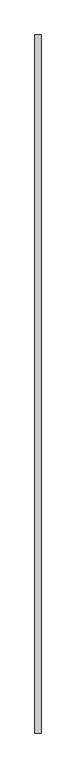
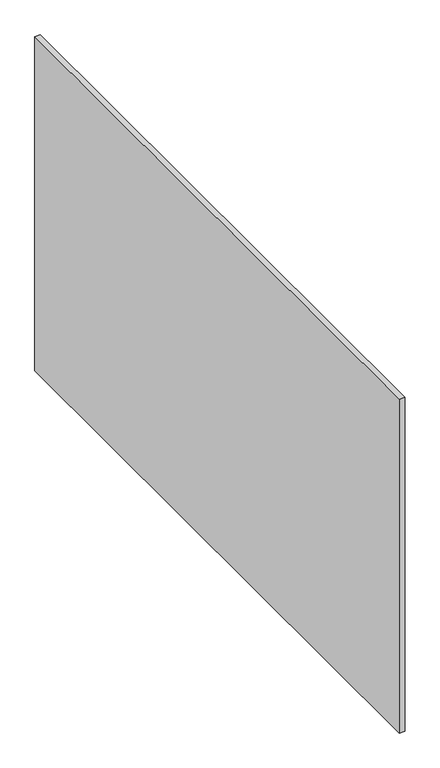
"""IFC4 building model written with IfcOpenShell, lengths in millimetres: proxy geometry."""

from ifc_helpers import new_model, si_unit, origin, origin_with_axes, place, context, project, spatial, polyline, outline, extrude, source, transform, mapped, element, save


def generic_models_9234f364(model_context):
    return source(origin(), model_context, "Body", "SweptSolid", [
        extrude(outline(polyline([(30.0, -3400.0), (0.0, -3400.0), (0.0, 0.0), (30.0, 0.0), (30.0, -3400.0)])), origin_with_axes(), (0.0, 0.0, 1.0), 1900.0),
    ])


if __name__ == "__main__":
    model = new_model("IFC4")
    model_context = context("Model", 3, world=origin())
    ifc_project = project(units=[si_unit("LENGTHUNIT", "METRE", prefix="MILLI")], contexts=[model_context])
    site = spatial("IfcSite", under=ifc_project)
    building = spatial("IfcBuilding", under=site)
    placement = place(None, origin())
    generic_models_shape = generic_models_9234f364(model_context)
    element("IfcBuildingElementProxy", 1, Name="Generic Models", at=placement, inside=building, context=model_context, shape_type="MappedRepresentation", body=[
        mapped(generic_models_shape, transform((0.0, 0.0, 0.0), x_axis=(1.0, 0.0, 0.0), y_axis=(0.0, 1.0, 0.0), z_axis=(0.0, 0.0, 1.0))),
    ])
    save(model, "model.ifc")
